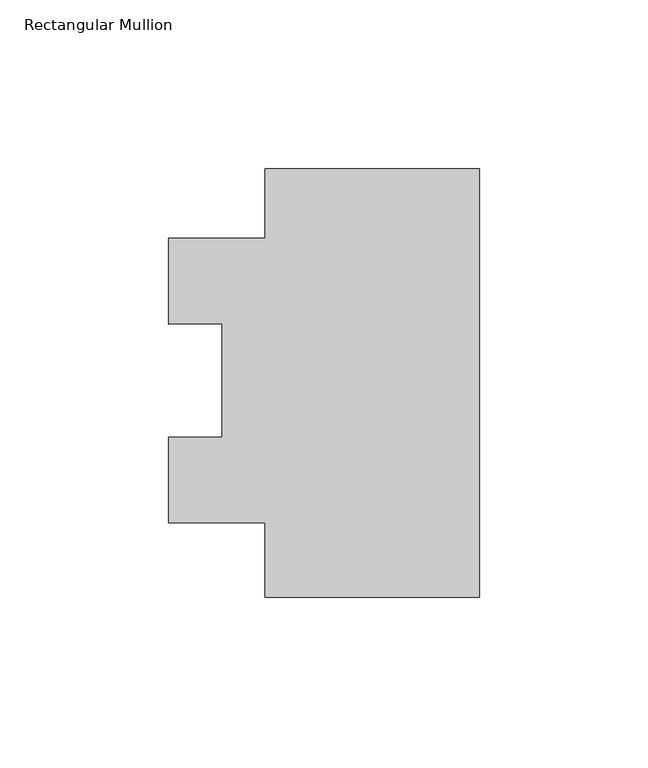
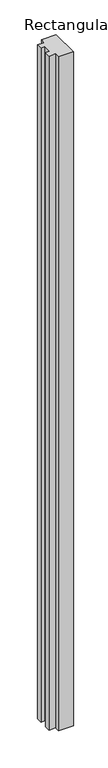
"""IFC4 building model written with IfcOpenShell, lengths in millimetres: member geometry, Rectangular Mullion."""

from ifc_helpers import new_model, si_unit, frame, origin, place, context, project, spatial, polyline, outline, extrude, source, transform, mapped, element, save


def rectangular_mullion_c8603508(model_context):
    return source(origin(), model_context, "Body", "SweptSolid", [
        extrude(outline(polyline([(0.0, 56.34803), (0.0, -70.65197), (-63.5, -70.65197), (-63.5, -48.52857), (-92.075, -48.52857), (-92.075, -23.19207), (-76.2, -23.19207), (-76.2, 10.4327421), (-92.075, 10.2386929), (-92.075, 35.79943), (-63.5, 35.79943), (-63.5, 56.34803), (0.0, 56.34803)])), frame((0.0, 0.0, -3048.0), z_axis=(0.0, 0.0, 1.0), x_axis=(1.0, 0.0, 0.0)), (0.0, 0.0, 1.0), 3048.0),
    ])


if __name__ == "__main__":
    model = new_model("IFC4")
    model_context = context("Model", 3, world=origin())
    ifc_project = project(units=[si_unit("LENGTHUNIT", "METRE", prefix="MILLI")], contexts=[model_context])
    site = spatial("IfcSite", under=ifc_project)
    building = spatial("IfcBuilding", under=site)
    placement = place(None, origin())
    rectangular_mullion_shape = rectangular_mullion_c8603508(model_context)
    element("IfcMember", 1, ObjectType="Rectangular Mullion", at=placement, inside=building, context=model_context, shape_type="MappedRepresentation", body=[
        mapped(rectangular_mullion_shape, transform((0.0, 0.0, 0.0), x_axis=(1.0, 0.0, 0.0), y_axis=(0.0, 1.0, 0.0), z_axis=(0.0, 0.0, 1.0))),
    ])
    save(model, "model.ifc")
